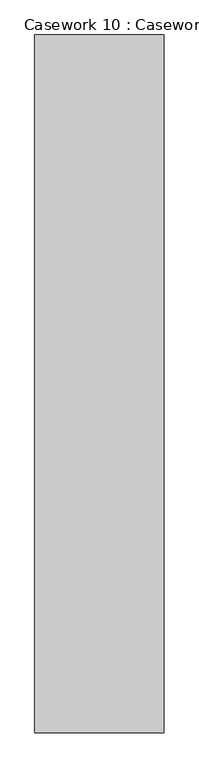
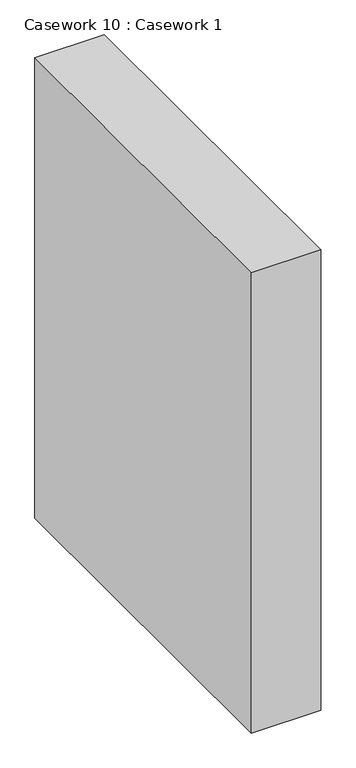
"""IFC4 building model written with IfcOpenShell, lengths in millimetres: furniture geometry, Casework 10 : Casework 1."""

from ifc_helpers import new_model, si_unit, frame, origin, place, context, project, spatial, polyline, outline, extrude, source, transform, mapped, element, save


def casework_10_casework_1_20a51b52(model_context):
    return source(origin(), model_context, "Body", "SweptSolid", [
        extrude(outline(polyline([(94952.9696444, -25060.835481), (94952.9696444, -22902.4801084), (95352.7769414, -22902.4801084), (95352.7769414, -25060.835481), (94952.9696444, -25060.835481)])), frame((0.0, 0.0, 68000.0), z_axis=(0.0, 0.0, 1.0), x_axis=(1.0, 0.0, 0.0)), (0.0, 0.0, 1.0), 2800.0),
    ])


if __name__ == "__main__":
    model = new_model("IFC4")
    model_context = context("Model", 3, world=origin())
    ifc_project = project(units=[si_unit("LENGTHUNIT", "METRE", prefix="MILLI")], contexts=[model_context])
    site = spatial("IfcSite", under=ifc_project)
    building = spatial("IfcBuilding", under=site)
    placement = place(None, origin())
    casework_10_casework_1_shape = casework_10_casework_1_20a51b52(model_context)
    element("IfcFurniture", 1, ObjectType="Casework 10 : Casework 1", at=placement, inside=building, context=model_context, shape_type="MappedRepresentation", body=[
        mapped(casework_10_casework_1_shape, transform((0.0, 0.0, 0.0), x_axis=(1.0, 0.0, 0.0), y_axis=(0.0, 1.0, 0.0), z_axis=(0.0, 0.0, 1.0))),
    ])
    save(model, "model.ifc")
